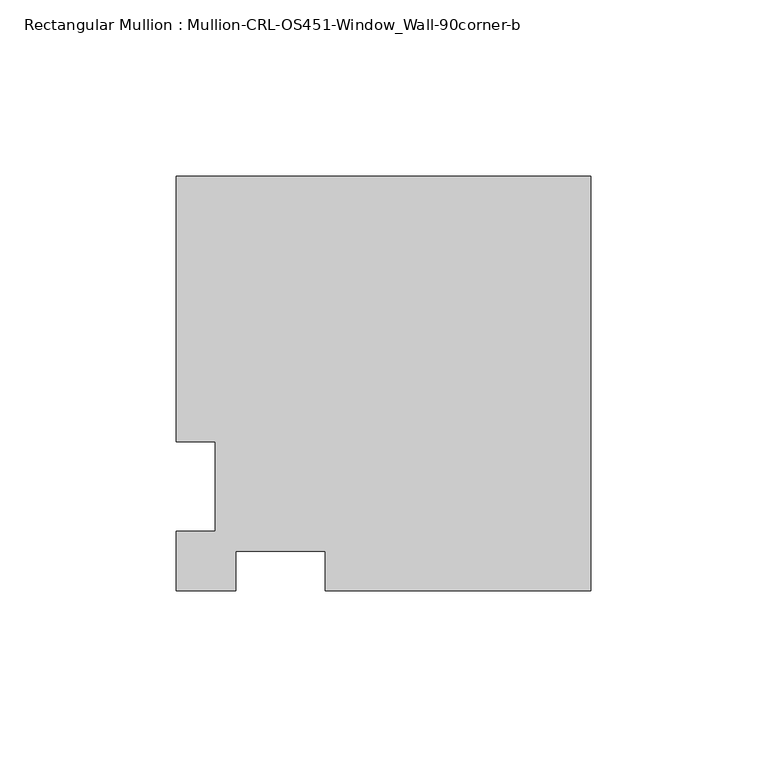
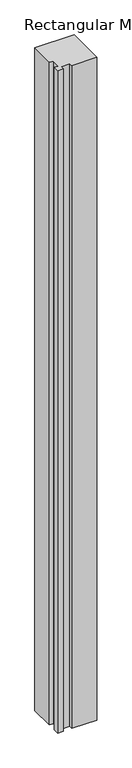
"""IFC4 building model written with IfcOpenShell, lengths in millimetres: member geometry, Rectangular Mullion : Mullion-CRL-OS451-Window_Wall-90corner-b."""

from ifc_helpers import new_model, si_unit, frame, origin, place, context, project, spatial, polyline, outline, extrude, source, transform, mapped, element, save


def rectangular_mullion_mullion_crl_os451_window_wall_90corner_b_daa35a8d(model_context):
    return source(origin(), model_context, "Body", "SweptSolid", [
        extrude(outline(polyline([(-117.6782822, 12.6999522), (-117.6782822, 88.1254014), (0.0, 88.1254014), (0.0, -29.5528171), (-75.3237055, -29.5528171), (-75.3237055, -18.4403171), (-100.7658661, -18.4403171), (-100.7658661, -29.5528171), (-117.6782822, -29.5528171), (-117.6782822, -12.7090868), (-106.5657034, -12.7090868), (-106.5657034, 12.6999522), (-117.6782822, 12.6999522)])), frame((0.0, 0.0, -2094.23), z_axis=(0.0, 0.0, 1.0), x_axis=(1.0, 0.0, 0.0)), (0.0, 0.0, 1.0), 2094.23),
    ])


if __name__ == "__main__":
    model = new_model("IFC4")
    model_context = context("Model", 3, world=origin())
    ifc_project = project(units=[si_unit("LENGTHUNIT", "METRE", prefix="MILLI")], contexts=[model_context])
    site = spatial("IfcSite", under=ifc_project)
    building = spatial("IfcBuilding", under=site)
    placement = place(None, origin())
    rectangular_mullion_mullion_crl_os451_window_wall_90corner_b_shape = rectangular_mullion_mullion_crl_os451_window_wall_90corner_b_daa35a8d(model_context)
    element("IfcMember", 1, ObjectType="Rectangular Mullion : Mullion-CRL-OS451-Window_Wall-90corner-b", at=placement, inside=building, context=model_context, shape_type="MappedRepresentation", body=[
        mapped(rectangular_mullion_mullion_crl_os451_window_wall_90corner_b_shape, transform((0.0, 0.0, 0.0), x_axis=(1.0, 0.0, 0.0), y_axis=(0.0, 1.0, 0.0), z_axis=(0.0, 0.0, 1.0))),
    ])
    save(model, "model.ifc")
